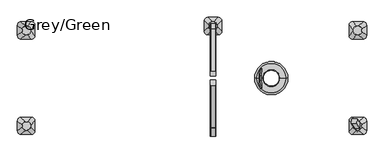
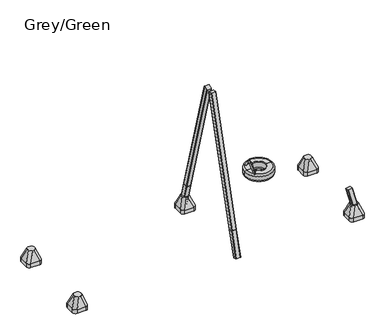
"""IFC4 building model written with IfcOpenShell, lengths in millimetres: furniture geometry, Grey/Green."""

from ifc_helpers import new_model, si_unit, point, frame, frame_2d, origin, place, context, project, spatial, polyline, circle_curve, ellipse_curve, trimmed, segment, composite_curve, outline, extrude, source, transform, mapped, element, save
from ifc_brep_helpers import plane_surface, cylinder_surface, revolved_surface, extruded_surface, advanced_brep


def grey_green_d1a0b71c(model_context):
    return source(origin(), model_context, "Body", "SolidModel", [
        advanced_brep(
        [(2189.0435586, 142.8352389, 487.8799535), (2187.1552997, 171.5861173, 509.4628511), (2175.1224244, 22.4722343, 646.9992456), (2173.2341655, 51.2231127, 668.5821433), (2189.4729122, -161.4568254, 482.9724192), (2187.414457, -188.6263703, 506.5006701), (2172.9434567, -44.2933839, 671.9049602), (2175.0019119, -17.123839, 648.3767093)],
        [
            (0, 1, circle_curve(frame((2188.0994292, 157.2106781, 498.6714023), z_axis=(0.06960567106282514, 0.6018150231520504, -0.7955964608169089), x_axis=(-0.052451635339515044, 0.7986355100472914, 0.5995249352960337)), 18.0)),
            (1, 0, circle_curve(frame((2188.0994292, 157.2106781, 498.6714023), z_axis=(0.06960567106282514, 0.6018150231520504, -0.7955964608169089), x_axis=(-0.052451635339515044, 0.7986355100472914, 0.5995249352960337)), 18.0)),
            (0, 2),
            (2, 3, circle_curve(frame((2174.178295, 36.8476735, 657.7906945), z_axis=(0.06960567106282514, 0.6018150231520504, -0.7955964608169089), x_axis=(-0.052451635339515044, 0.7986355100472914, 0.5995249352960337)), 18.0)),
            (3, 1),
            (3, 2, circle_curve(frame((2174.178295, 36.8476735, 657.7906945), z_axis=(0.06960567106282514, 0.6018150231520504, -0.7955964608169089), x_axis=(-0.052451635339515044, 0.7986355100472914, 0.5995249352960337)), 18.0)),
            (4, 5, circle_curve(frame((2188.4436846, -175.0415979, 494.7365446), z_axis=(0.06577727402308613, -0.6560590289905281, -0.7518376824169546), x_axis=(-0.05717931195797577, -0.754709580222754, 0.653562526315583)), 18.0)),
            (5, 4, circle_curve(frame((2188.4436846, -175.0415979, 494.7365446), z_axis=(0.06577727402308613, -0.6560590289905281, -0.7518376824169546), x_axis=(-0.05717931195797577, -0.754709580222754, 0.653562526315583)), 18.0)),
            (6, 7, circle_curve(frame((2173.9726843, -30.7086115, 660.1408348), z_axis=(0.06577727402308613, -0.6560590289905281, -0.7518376824169546), x_axis=(-0.05717931195797577, -0.754709580222754, 0.653562526315583)), 18.0)),
            (7, 4),
            (5, 6),
            (7, 6, circle_curve(frame((2173.9726843, -30.7086115, 660.1408348), z_axis=(0.06577727402308613, -0.6560590289905281, -0.7518376824169546), x_axis=(-0.05717931195797577, -0.754709580222754, 0.653562526315583)), 18.0)),
            (6, 3, circle_curve(frame((2176.4594607, 2.1143432, 631.7168506), z_axis=(-0.9961946980917457, 0.0, -0.08715574274765649), x_axis=(-0.05245163533951502, 0.7986355100472914, 0.5995249352960336)), 61.4908414)),
            (2, 7, circle_curve(frame((2176.4594607, 2.1143432, 631.7168506), z_axis=(0.9961946980917457, 0.0, 0.08715574274765649), x_axis=(-0.05245163533951502, 0.7986355100472914, 0.5995249352960336)), 25.4908414)),
        ],
        [
            plane_surface(frame((2188.0994292, 157.2106781, 498.6714023), z_axis=(0.06960567106282513, 0.6018150231520503, -0.7955964608169087), x_axis=(-0.9961946980917457, 0.0, -0.08715574274765646))),
            cylinder_surface(frame((2188.0994292, 157.2106781, 498.6714023), z_axis=(0.06960567106282513, 0.6018150231520503, -0.7955964608169087), x_axis=(-0.052451635339515044, 0.7986355100472914, 0.5995249352960337)), 18.0),
            plane_surface(frame((2188.4436846, -175.0415979, 494.7365446), z_axis=(0.06577727402308613, -0.6560590289905281, -0.7518376824169546), x_axis=(-0.9961946980917457, 0.0, -0.08715574274765645))),
            cylinder_surface(frame((2173.9726843, -30.7086115, 660.1408348), z_axis=(-0.06577727402308613, 0.6560590289905281, 0.7518376824169546), x_axis=(-0.05717931195797577, -0.754709580222754, 0.653562526315583)), 18.0),
            revolved_surface(trimmed(ellipse_curve(frame((2174.178295, 36.8476735, 657.7906945), z_axis=(0.0696056710628252, 0.6018150231520499, -0.7955964608169088), x_axis=(-0.05245163533951503, 0.7986355100472915, 0.5995249352960333)), 18.0, 18.0), [point((2175.1224244, 22.4722343, 646.9992456))], [point((2173.2341655, 51.2231127, 668.5821433))], True, "CARTESIAN"), (2176.4594607, 2.1143432, 631.7168506), (0.9961946980917457, 0.0, 0.08715574274765649)),
            revolved_surface(trimmed(ellipse_curve(frame((2174.178295, 36.8476735, 657.7906945), z_axis=(0.0696056710628252, 0.6018150231520499, -0.7955964608169088), x_axis=(-0.05245163533951503, 0.7986355100472915, 0.5995249352960333)), 18.0, 18.0), [point((2173.2341655, 51.2231127, 668.5821433))], [point((2175.1224244, 22.4722343, 646.9992456))], True, "CARTESIAN"), (2176.4594607, 2.1143432, 631.7168506), (0.9961946980917457, 0.0, 0.08715574274765649)),
        ],
        [
            (0, [[1, 2]]),
            (1, [[-1, 3, 4, 5]]),
            (1, [[-2, -5, 6, -3]]),
            (2, [[7, 8]]),
            (3, [[9, 10, -8, 11]]),
            (3, [[12, -11, -7, -10]]),
            (4, [[13, -4, 14, -9]]),
            (5, [[-14, -6, -13, -12]]),
        ],
    ),
        advanced_brep(
        [(2079.3165246, 0.0, 390.0), (2650.6834754, 0.0, 390.0), (2620.6834754, 0.0, 360.0), (2109.3165246, 0.0, 360.0), (2109.3165246, 0.0, 510.0), (2620.6834754, 0.0, 510.0), (2650.6834754, 0.0, 480.0), (2079.3165246, 0.0, 480.0), (2220.0, 0.0, 510.0), (2510.0, 0.0, 510.0), (2220.0, 0.0, 500.0), (2510.0, 0.0, 500.0), (2220.0, 0.0, 360.0), (2510.0, 0.0, 360.0), (2510.0, 0.0, 375.0), (2220.0, 0.0, 375.0)],
        [
            (0, 1, circle_curve(frame((2365.0, 0.0, 390.0), z_axis=(0.0, 0.0, -1.0), x_axis=(1.0, 0.0, 0.0)), 285.6834754)),
            (1, 2, circle_curve(frame((2620.6834754, 0.0, 390.0), z_axis=(0.0, 1.0, 0.0), x_axis=(1.0, 0.0, 0.0)), 30.0)),
            (2, 3, circle_curve(frame((2365.0, 0.0, 360.0), z_axis=(0.0, 0.0, 1.0), x_axis=(1.0, 0.0, 0.0)), 255.6834754)),
            (3, 0, circle_curve(frame((2109.3165246, 0.0, 390.0), z_axis=(0.0, 1.0, 0.0), x_axis=(-1.0, 0.0, 0.0)), 30.0)),
            (1, 0, circle_curve(frame((2365.0, 0.0, 390.0), z_axis=(0.0, 0.0, -1.0), x_axis=(1.0, 0.0, 0.0)), 285.6834754)),
            (3, 2, circle_curve(frame((2365.0, 0.0, 360.0), z_axis=(0.0, 0.0, 1.0), x_axis=(1.0, 0.0, 0.0)), 255.6834754)),
            (4, 5, circle_curve(frame((2365.0, 0.0, 510.0), z_axis=(0.0, 0.0, -1.0), x_axis=(1.0, 0.0, 0.0)), 255.6834754)),
            (5, 6, circle_curve(frame((2620.6834754, 0.0, 480.0), z_axis=(0.0, 1.0, 0.0), x_axis=(1.0, 0.0, 0.0)), 30.0)),
            (6, 7, circle_curve(frame((2365.0, 0.0, 480.0), z_axis=(0.0, 0.0, 1.0), x_axis=(1.0, 0.0, 0.0)), 285.6834754)),
            (7, 4, circle_curve(frame((2109.3165246, 0.0, 480.0), z_axis=(0.0, 1.0, 0.0), x_axis=(-1.0, 0.0, 0.0)), 30.0)),
            (5, 4, circle_curve(frame((2365.0, 0.0, 510.0), z_axis=(0.0, 0.0, -1.0), x_axis=(1.0, 0.0, 0.0)), 255.6834754)),
            (7, 6, circle_curve(frame((2365.0, 0.0, 480.0), z_axis=(0.0, 0.0, 1.0), x_axis=(1.0, 0.0, 0.0)), 285.6834754)),
            (8, 9, circle_curve(frame((2365.0, 0.0, 510.0), z_axis=(0.0, 0.0, -1.0), x_axis=(1.0, 0.0, 0.0)), 145.0)),
            (9, 5),
            (4, 8),
            (9, 8, circle_curve(frame((2365.0, 0.0, 510.0), z_axis=(0.0, 0.0, -1.0), x_axis=(1.0, 0.0, 0.0)), 145.0)),
            (10, 11, circle_curve(frame((2365.0, 0.0, 500.0), z_axis=(0.0, 0.0, -1.0), x_axis=(1.0, 0.0, 0.0)), 145.0)),
            (11, 9, circle_curve(frame((2510.0, 0.0, 505.0), z_axis=(0.0, 1.0, 0.0), x_axis=(1.0, 0.0, 0.0)), 5.0)),
            (8, 10, circle_curve(frame((2220.0, 0.0, 505.0), z_axis=(0.0, 1.0, 0.0), x_axis=(-1.0, 0.0, 0.0)), 5.0)),
            (11, 10, circle_curve(frame((2365.0, 0.0, 500.0), z_axis=(0.0, 0.0, -1.0), x_axis=(1.0, 0.0, 0.0)), 145.0)),
            (12, 13, circle_curve(frame((2365.0, 0.0, 360.0), z_axis=(0.0, 0.0, -1.0), x_axis=(1.0, 0.0, 0.0)), 145.0)),
            (13, 14, circle_curve(frame((2513.8250415, 0.0, 367.5), z_axis=(0.0, 1.0, 0.0), x_axis=(1.0, 0.0, 0.0)), 8.4190821)),
            (14, 15, circle_curve(frame((2365.0, 0.0, 375.0), z_axis=(0.0, 0.0, 1.0), x_axis=(1.0, 0.0, 0.0)), 145.0)),
            (15, 12, circle_curve(frame((2216.1749585, 0.0, 367.5), z_axis=(0.0, 1.0, 0.0), x_axis=(-1.0, 0.0, 0.0)), 8.4190821)),
            (13, 12, circle_curve(frame((2365.0, 0.0, 360.0), z_axis=(0.0, 0.0, -1.0), x_axis=(1.0, 0.0, 0.0)), 145.0)),
            (15, 14, circle_curve(frame((2365.0, 0.0, 375.0), z_axis=(0.0, 0.0, 1.0), x_axis=(1.0, 0.0, 0.0)), 145.0)),
            (2, 13),
            (12, 3),
            (6, 1),
            (0, 7),
            (14, 11, circle_curve(frame((2510.0, 0.0, 437.5), z_axis=(0.0, -1.0, 0.0), x_axis=(-1.0, 0.0, 0.0)), 62.5)),
            (10, 15, circle_curve(frame((2220.0, 0.0, 437.5), z_axis=(0.0, -1.0, 0.0), x_axis=(1.0, 0.0, 0.0)), 62.5)),
        ],
        [
            revolved_surface(trimmed(ellipse_curve(frame((2620.6834754, 0.0, 390.0), z_axis=(0.0, -1.0, 0.0), x_axis=(1.0, 0.0, 0.0)), 30.0, 30.0), [point((2620.6834754, 0.0, 360.0))], [point((2650.6834754, 0.0, 390.0))], True, "CARTESIAN"), (2365.0, 0.0, 2969.0581012), (0.0, 0.0, 1.0)),
            revolved_surface(trimmed(ellipse_curve(frame((2620.6834754, 0.0, 480.0), z_axis=(0.0, -1.0, 0.0), x_axis=(1.0, 0.0, 0.0)), 30.0, 30.0), [point((2650.6834754, 0.0, 480.0))], [point((2620.6834754, 0.0, 510.0))], True, "CARTESIAN"), (2365.0, 0.0, 2969.0581012), (0.0, 0.0, 1.0)),
            plane_surface(frame((2365.0, 0.0, 510.0), z_axis=(0.0, 0.0, 1.0), x_axis=(1.0, 0.0, 0.0))),
            revolved_surface(trimmed(ellipse_curve(frame((2510.0, 0.0, 505.0), z_axis=(0.0, -1.0, 0.0), x_axis=(1.0, 0.0, 0.0)), 5.0, 5.0), [point((2510.0, 0.0, 510.0))], [point((2510.0, 0.0, 500.0))], True, "CARTESIAN"), (2365.0, 0.0, 2969.0581012), (0.0, 0.0, 1.0)),
            revolved_surface(trimmed(ellipse_curve(frame((2513.8250415, 0.0, 367.5), z_axis=(0.0, -1.0, 0.0), x_axis=(1.0, 0.0, 0.0)), 8.4190821, 8.4190821), [point((2510.0, 0.0, 375.0))], [point((2510.0, 0.0, 360.0))], True, "CARTESIAN"), (2365.0, 0.0, 2969.0581012), (0.0, 0.0, 1.0)),
            plane_surface(frame((2365.0, 0.0, 360.0), z_axis=(0.0, 0.0, -1.0), x_axis=(1.0, 0.0, 0.0))),
            cylinder_surface(frame((2365.0, 0.0, 2969.0581012), z_axis=(0.0, 0.0, 1.0), x_axis=(1.0, 0.0, 0.0)), 285.6834754),
            revolved_surface(trimmed(ellipse_curve(frame((2510.0, 0.0, 437.5), z_axis=(0.0, 1.0, 0.0), x_axis=(-1.0, 0.0, 0.0)), 62.5, 62.5), [point((2510.0, 0.0, 500.0))], [point((2510.0, 0.0, 375.0))], True, "CARTESIAN"), (2365.0, 0.0, 2969.0581012), (0.0, 0.0, 1.0)),
        ],
        [
            (0, [[1, 2, 3, 4]]),
            (0, [[5, -4, 6, -2]]),
            (1, [[7, 8, 9, 10]]),
            (1, [[11, -10, 12, -8]]),
            (2, [[13, 14, -7, 15]]),
            (2, [[16, -15, -11, -14]]),
            (3, [[17, 18, -13, 19]]),
            (3, [[20, -19, -16, -18]]),
            (4, [[21, 22, 23, 24]]),
            (4, [[25, -24, 26, -22]]),
            (5, [[-3, 27, -21, 28]]),
            (5, [[-6, -28, -25, -27]]),
            (6, [[-9, 29, -1, 30]]),
            (6, [[-12, -30, -5, -29]]),
            (7, [[-23, 31, -17, 32]]),
            (7, [[-26, -32, -20, -31]]),
        ],
    ),
        advanced_brep(
        [(1275.0, 746.7414474, -604.0), (1215.0, 806.7414474, -604.0), (1215.0, 986.7414474, -604.0), (1275.0, 1046.7414474, -604.0), (1455.0, 1046.7414474, -604.0), (1515.0, 986.7414474, -604.0), (1515.0, 806.7414474, -604.0), (1455.0, 746.7414474, -604.0), (1455.0, 746.7414474, -526.0689494), (1275.0, 746.7414474, -526.0689494), (1515.0, 986.7414474, -526.0689494), (1515.0, 806.7414474, -526.0689494), (1275.0, 1046.7414474, -526.0689494), (1455.0, 1046.7414474, -526.0689494), (1215.0, 806.7414474, -526.0689494), (1215.0, 986.7414474, -526.0689494), (1373.9540451, 825.2925072, -316.0689494), (1433.9540451, 885.2925072, -316.0689494), (1433.9540451, 910.2925072, -316.0689494), (1373.9540451, 970.2925072, -316.0689494), (1348.9540451, 970.2925072, -316.0689494), (1288.9540451, 910.2925072, -316.0689494), (1288.9540451, 885.2925072, -316.0689494), (1348.9540451, 825.2925072, -316.0689494)],
        [
            (0, 1, circle_curve(frame((1275.0, 806.7414474, -604.0), z_axis=(0.0, 0.0, -1.0), x_axis=(-1.0, 0.0, 0.0)), 60.0)),
            (1, 2),
            (2, 3, circle_curve(frame((1275.0, 986.7414474, -604.0), z_axis=(0.0, 0.0, -1.0), x_axis=(-1.0, 0.0, 0.0)), 60.0)),
            (3, 4),
            (4, 5, circle_curve(frame((1455.0, 986.7414474, -604.0), z_axis=(0.0, 0.0, -1.0), x_axis=(-1.0, 0.0, 0.0)), 60.0)),
            (5, 6),
            (6, 7, circle_curve(frame((1455.0, 806.7414474, -604.0), z_axis=(0.0, 0.0, -1.0), x_axis=(-1.0, 0.0, 0.0)), 60.0)),
            (7, 0),
            (7, 8),
            (8, 9),
            (9, 0),
            (5, 10),
            (10, 11),
            (11, 6),
            (3, 12),
            (12, 13),
            (13, 4),
            (1, 14),
            (14, 15),
            (15, 2),
            (16, 17, circle_curve(frame((1373.9540451, 885.2925072, -316.0689494), z_axis=(0.0, 0.0, 1.0), x_axis=(-1.0, 0.0, 0.0)), 60.0)),
            (17, 18),
            (18, 19, circle_curve(frame((1373.9540451, 910.2925072, -316.0689494), z_axis=(0.0, 0.0, 1.0), x_axis=(-1.0, 0.0, 0.0)), 60.0)),
            (19, 20),
            (20, 21, circle_curve(frame((1348.9540451, 910.2925072, -316.0689494), z_axis=(0.0, 0.0, 1.0), x_axis=(-1.0, 0.0, 0.0)), 60.0)),
            (21, 22),
            (22, 23, circle_curve(frame((1348.9540451, 885.2925072, -316.0689494), z_axis=(0.0, 0.0, 1.0), x_axis=(-1.0, 0.0, 0.0)), 60.0)),
            (23, 16),
            (17, 11),
            (10, 18),
            (19, 13),
            (12, 20),
            (21, 15),
            (14, 22),
            (23, 9),
            (8, 16),
            (11, 8, circle_curve(frame((1455.0, 806.7414474, -526.0689494), z_axis=(0.0, 0.0, -1.0), x_axis=(-1.0, 0.0, 0.0)), 60.0)),
            (13, 10, circle_curve(frame((1455.0, 986.7414474, -526.0689494), z_axis=(0.0, 0.0, -1.0), x_axis=(-1.0, 0.0, 0.0)), 60.0)),
            (15, 12, circle_curve(frame((1275.0, 986.7414474, -526.0689494), z_axis=(0.0, 0.0, -1.0), x_axis=(-1.0, 0.0, 0.0)), 60.0)),
            (9, 14, circle_curve(frame((1275.0, 806.7414474, -526.0689494), z_axis=(0.0, 0.0, -1.0), x_axis=(-1.0, 0.0, 0.0)), 60.0)),
        ],
        [
            plane_surface(frame((1541.6329682, 746.7414474, -604.0), z_axis=(0.0, 0.0, -1.0), x_axis=(-1.0, 0.0, 0.0))),
            plane_surface(frame((1275.0, 746.7414474, -526.0689494), z_axis=(0.0, -1.0, 0.0), x_axis=(0.0, 0.0, -1.0))),
            plane_surface(frame((1515.0, 806.7414474, -526.0689494), z_axis=(1.0, 0.0, 0.0), x_axis=(0.0, 0.0, -1.0))),
            plane_surface(frame((1455.0, 1046.7414474, -526.0689494), z_axis=(0.0, 1.0, 0.0), x_axis=(0.0, 0.0, -1.0))),
            plane_surface(frame((1215.0, 986.7414474, -526.0689494), z_axis=(-1.0, 0.0, 0.0), x_axis=(0.0, 0.0, -1.0))),
            plane_surface(frame((1361.4540451, 897.7925072, -316.0689494), z_axis=(0.0, 0.0, 1.0), x_axis=(1.0, 0.0, 0.0))),
            plane_surface(frame((1515.0, 896.7414474, -526.0689494), z_axis=(0.9329330935587706, 0.0, 0.36004977842357055), x_axis=(0.0, 1.0, 0.0))),
            plane_surface(frame((1365.0, 1046.7414474, -526.0689494), z_axis=(0.0, 0.9396707723277333, 0.34208016550656856), x_axis=(-1.0, 0.0, 0.0))),
            plane_surface(frame((1215.0, 896.7414474, -526.0689494), z_axis=(-0.9432207285248213, 0.0, 0.33216661072586046), x_axis=(0.0, -1.0, 0.0))),
            plane_surface(frame((1365.0, 746.7414474, -526.0689494), z_axis=(0.0, -0.9366205672401335, 0.35034541958297477), x_axis=(1.0, 0.0, 0.0))),
            cylinder_surface(frame((1455.0, 806.7414474, -604.0), z_axis=(0.0, 0.0, 1.0), x_axis=(-1.0, 0.0, 0.0)), 60.0),
            cylinder_surface(frame((1455.0, 986.7414474, -604.0), z_axis=(0.0, 0.0, 1.0), x_axis=(-1.0, 0.0, 0.0)), 60.0),
            cylinder_surface(frame((1275.0, 986.7414474, -604.0), z_axis=(0.0, 0.0, 1.0), x_axis=(-1.0, 0.0, 0.0)), 60.0),
            cylinder_surface(frame((1275.0, 806.7414474, -604.0), z_axis=(0.0, 0.0, 1.0), x_axis=(-1.0, 0.0, 0.0)), 60.0),
            extruded_surface(trimmed(circle_curve(frame((1455.0, 806.7414474, -526.0689494), z_axis=(0.0, 0.0, 1.0), x_axis=(-1.0, 0.0, 0.0)), 60.0), [point((1455.0, 746.7414474, -526.0689494))], [point((1515.0, 806.7414474, -526.0689494))], True, "CARTESIAN"), (-81.04595489999997, 78.55105980000008, 209.99999999999994), 238.4087158670085),
            extruded_surface(trimmed(circle_curve(frame((1275.0, 806.7414474, -526.0689494), z_axis=(0.0, 0.0, 1.0), x_axis=(-1.0, 0.0, 0.0)), 60.0), [point((1215.0, 806.7414474, -526.0689494))], [point((1275.0, 746.7414474, -526.0689494))], True, "CARTESIAN"), (73.95404510000003, 78.55105980000008, 209.99999999999994), 236.09207903349068),
            extruded_surface(trimmed(circle_curve(frame((1455.0, 986.7414474, -526.0689494), z_axis=(0.0, 0.0, 1.0), x_axis=(-1.0, 0.0, 0.0)), 60.0), [point((1515.0, 986.7414474, -526.0689494))], [point((1455.0, 1046.7414474, -526.0689494))], True, "CARTESIAN"), (-81.04595489999997, -76.44894019999992, 209.99999999999994), 237.72439349666237),
            extruded_surface(trimmed(circle_curve(frame((1275.0, 986.7414474, -526.0689494), z_axis=(0.0, 0.0, 1.0), x_axis=(-1.0, 0.0, 0.0)), 60.0), [point((1275.0, 1046.7414474, -526.0689494))], [point((1215.0, 986.7414474, -526.0689494))], True, "CARTESIAN"), (73.95404510000003, -76.44894019999992, 209.99999999999994), 235.40102218205422),
        ],
        [
            (0, [[1, 2, 3, 4, 5, 6, 7, 8]]),
            (1, [[-8, 9, 10, 11]]),
            (2, [[-6, 12, 13, 14]]),
            (3, [[-4, 15, 16, 17]]),
            (4, [[-2, 18, 19, 20]]),
            (5, [[21, 22, 23, 24, 25, 26, 27, 28]]),
            (6, [[-22, 29, -13, 30]]),
            (7, [[-24, 31, -16, 32]]),
            (8, [[-26, 33, -19, 34]]),
            (9, [[-28, 35, -10, 36]]),
            (10, [[-7, -14, 37, -9]]),
            (11, [[-5, -17, 38, -12]]),
            (12, [[-3, -20, 39, -15]]),
            (13, [[-1, -11, 40, -18]]),
            (14, [[-21, -36, -37, -29]]),
            (15, [[-27, -34, -40, -35]]),
            (16, [[-23, -30, -38, -31]]),
            (17, [[-25, -32, -39, -33]]),
        ],
    ),
        advanced_brep(
        [(3763.0, -672.5, -604.0), (3943.0, -672.5, -604.0), (4003.0, -732.5, -604.0), (4003.0, -912.5, -604.0), (3943.0, -972.5, -604.0), (3763.0, -972.5, -604.0), (3703.0, -912.5, -604.0), (3703.0, -732.5, -604.0), (3763.0, -672.5, -526.0689494), (3943.0, -672.5, -526.0689494), (4003.0, -732.5, -526.0689494), (4003.0, -912.5, -526.0689494), (3943.0, -972.5, -526.0689494), (3763.0, -972.5, -526.0689494), (3703.0, -912.5, -526.0689494), (3703.0, -732.5, -526.0689494), (3861.9540451, -751.0510597, -316.0689494), (3836.9540451, -751.0510597, -316.0689494), (3776.9540451, -811.0510597, -316.0689494), (3776.9540451, -836.0510597, -316.0689494), (3836.9540451, -896.0510597, -316.0689494), (3861.9540451, -896.0510597, -316.0689494), (3921.9540451, -836.0510597, -316.0689494), (3921.9540451, -811.0510597, -316.0689494)],
        [
            (0, 1),
            (1, 2, circle_curve(frame((3943.0, -732.5, -604.0), z_axis=(0.0, 0.0, -1.0), x_axis=(-1.0, 0.0, 0.0)), 60.0)),
            (2, 3),
            (3, 4, circle_curve(frame((3943.0, -912.5, -604.0), z_axis=(0.0, 0.0, -1.0), x_axis=(-1.0, 0.0, 0.0)), 60.0)),
            (4, 5),
            (5, 6, circle_curve(frame((3763.0, -912.5, -604.0), z_axis=(0.0, 0.0, -1.0), x_axis=(-1.0, 0.0, 0.0)), 60.0)),
            (6, 7),
            (7, 0, circle_curve(frame((3763.0, -732.5, -604.0), z_axis=(0.0, 0.0, -1.0), x_axis=(-1.0, 0.0, 0.0)), 60.0)),
            (0, 8),
            (8, 9),
            (9, 1),
            (2, 10),
            (10, 11),
            (11, 3),
            (4, 12),
            (12, 13),
            (13, 5),
            (6, 14),
            (14, 15),
            (15, 7),
            (16, 17),
            (17, 18, circle_curve(frame((3836.9540451, -811.0510597, -316.0689494), z_axis=(0.0, 0.0, 1.0), x_axis=(-1.0, 0.0, 0.0)), 60.0)),
            (18, 19),
            (19, 20, circle_curve(frame((3836.9540451, -836.0510597, -316.0689494), z_axis=(0.0, 0.0, 1.0), x_axis=(-1.0, 0.0, 0.0)), 60.0)),
            (20, 21),
            (21, 22, circle_curve(frame((3861.9540451, -836.0510597, -316.0689494), z_axis=(0.0, 0.0, 1.0), x_axis=(-1.0, 0.0, 0.0)), 60.0)),
            (22, 23),
            (23, 16, circle_curve(frame((3861.9540451, -811.0510597, -316.0689494), z_axis=(0.0, 0.0, 1.0), x_axis=(-1.0, 0.0, 0.0)), 60.0)),
            (22, 11),
            (10, 23),
            (20, 13),
            (12, 21),
            (18, 15),
            (14, 19),
            (16, 9),
            (8, 17),
            (9, 10, circle_curve(frame((3943.0, -732.5, -526.0689494), z_axis=(0.0, 0.0, -1.0), x_axis=(-1.0, 0.0, 0.0)), 60.0)),
            (11, 12, circle_curve(frame((3943.0, -912.5, -526.0689494), z_axis=(0.0, 0.0, -1.0), x_axis=(-1.0, 0.0, 0.0)), 60.0)),
            (13, 14, circle_curve(frame((3763.0, -912.5, -526.0689494), z_axis=(0.0, 0.0, -1.0), x_axis=(-1.0, 0.0, 0.0)), 60.0)),
            (15, 8, circle_curve(frame((3763.0, -732.5, -526.0689494), z_axis=(0.0, 0.0, -1.0), x_axis=(-1.0, 0.0, 0.0)), 60.0)),
        ],
        [
            plane_surface(frame((4029.6329682, -672.5, -604.0), z_axis=(0.0, 0.0, -1.0), x_axis=(-1.0, 0.0, 0.0))),
            plane_surface(frame((3763.0, -672.5, -526.0689494), z_axis=(0.0, 1.0, 0.0), x_axis=(0.0, 0.0, -1.0))),
            plane_surface(frame((4003.0, -732.5, -526.0689494), z_axis=(1.0, 0.0, 0.0), x_axis=(0.0, 0.0, -1.0))),
            plane_surface(frame((3943.0, -972.5, -526.0689494), z_axis=(0.0, -1.0, 0.0), x_axis=(0.0, 0.0, -1.0))),
            plane_surface(frame((3703.0, -912.5, -526.0689494), z_axis=(-1.0, 0.0, 0.0), x_axis=(0.0, 0.0, -1.0))),
            plane_surface(frame((3849.4540451, -823.5510597, -316.0689494), z_axis=(0.0, 0.0, 1.0), x_axis=(1.0, 0.0, 0.0))),
            plane_surface(frame((4003.0, -822.5, -526.0689494), z_axis=(0.9329330935587706, 0.0, 0.36004977842357055), x_axis=(0.0, -1.0, 0.0))),
            plane_surface(frame((3853.0, -972.5, -526.0689494), z_axis=(0.0, -0.9396707723277333, 0.34208016550656856), x_axis=(-1.0, 0.0, 0.0))),
            plane_surface(frame((3703.0, -822.5, -526.0689494), z_axis=(-0.9432207285248213, 0.0, 0.33216661072586046), x_axis=(0.0, 1.0, 0.0))),
            plane_surface(frame((3853.0, -672.5, -526.0689494), z_axis=(0.0, 0.9366205672401335, 0.35034541958297477), x_axis=(1.0, 0.0, 0.0))),
            cylinder_surface(frame((3943.0, -732.5, -604.0), z_axis=(0.0, 0.0, 1.0), x_axis=(-1.0, 0.0, 0.0)), 60.0),
            cylinder_surface(frame((3943.0, -912.5, -604.0), z_axis=(0.0, 0.0, 1.0), x_axis=(-1.0, 0.0, 0.0)), 60.0),
            cylinder_surface(frame((3763.0, -912.5, -604.0), z_axis=(0.0, 0.0, 1.0), x_axis=(-1.0, 0.0, 0.0)), 60.0),
            cylinder_surface(frame((3763.0, -732.5, -604.0), z_axis=(0.0, 0.0, 1.0), x_axis=(-1.0, 0.0, 0.0)), 60.0),
            extruded_surface(trimmed(circle_curve(frame((3861.9540451, -811.0510597, -316.0689494), z_axis=(0.0, 0.0, -1.0), x_axis=(-1.0, 0.0, 0.0)), 60.0), [point((3861.9540451, -751.0510597, -316.0689494))], [point((3921.9540451, -811.0510597, -316.0689494))], True, "CARTESIAN"), (81.0459549000002, 78.5510597, -209.99999999999994), 238.4087158340605),
            extruded_surface(trimmed(circle_curve(frame((3836.9540451, -811.0510597, -316.0689494), z_axis=(0.0, 0.0, -1.0), x_axis=(-1.0, 0.0, 0.0)), 60.0), [point((3776.9540451, -811.0510597, -316.0689494))], [point((3836.9540451, -751.0510597, -316.0689494))], True, "CARTESIAN"), (-73.9540450999998, 78.5510597, -209.99999999999994), 236.0920790002192),
            extruded_surface(trimmed(circle_curve(frame((3861.9540451, -836.0510597, -316.0689494), z_axis=(0.0, 0.0, -1.0), x_axis=(-1.0, 0.0, 0.0)), 60.0), [point((3921.9540451, -836.0510597, -316.0689494))], [point((3861.9540451, -896.0510597, -316.0689494))], True, "CARTESIAN"), (81.0459549000002, -76.4489403, -209.99999999999994), 237.7243935288211),
            extruded_surface(trimmed(circle_curve(frame((3836.9540451, -836.0510597, -316.0689494), z_axis=(0.0, 0.0, -1.0), x_axis=(-1.0, 0.0, 0.0)), 60.0), [point((3836.9540451, -896.0510597, -316.0689494))], [point((3776.9540451, -836.0510597, -316.0689494))], True, "CARTESIAN"), (-73.9540450999998, -76.4489403, -209.99999999999994), 235.4010222145302),
        ],
        [
            (0, [[1, 2, 3, 4, 5, 6, 7, 8]]),
            (1, [[9, 10, 11, -1]]),
            (2, [[12, 13, 14, -3]]),
            (3, [[15, 16, 17, -5]]),
            (4, [[18, 19, 20, -7]]),
            (5, [[21, 22, 23, 24, 25, 26, 27, 28]]),
            (6, [[29, -13, 30, -27]]),
            (7, [[31, -16, 32, -25]]),
            (8, [[33, -19, 34, -23]]),
            (9, [[35, -10, 36, -21]]),
            (10, [[-11, 37, -12, -2]]),
            (11, [[-14, 38, -15, -4]]),
            (12, [[-17, 39, -18, -6]]),
            (13, [[-20, 40, -9, -8]]),
            (14, [[-30, -37, -35, -28]]),
            (15, [[-36, -40, -33, -22]]),
            (16, [[-32, -38, -29, -26]]),
            (17, [[-34, -39, -31, -24]]),
        ],
    ),
        advanced_brep(
        [(3763.0, 672.5, -604.0), (3703.0, 732.5, -604.0), (3703.0, 912.5, -604.0), (3763.0, 972.5, -604.0), (3943.0, 972.5, -604.0), (4003.0, 912.5, -604.0), (4003.0, 732.5, -604.0), (3943.0, 672.5, -604.0), (3943.0, 672.5, -526.0689494), (3763.0, 672.5, -526.0689494), (4003.0, 912.5, -526.0689494), (4003.0, 732.5, -526.0689494), (3763.0, 972.5, -526.0689494), (3943.0, 972.5, -526.0689494), (3703.0, 732.5, -526.0689494), (3703.0, 912.5, -526.0689494), (3861.9540451, 751.0510597, -316.0689494), (3921.9540451, 811.0510597, -316.0689494), (3921.9540451, 836.0510597, -316.0689494), (3861.9540451, 896.0510597, -316.0689494), (3836.9540451, 896.0510597, -316.0689494), (3776.9540451, 836.0510597, -316.0689494), (3776.9540451, 811.0510597, -316.0689494), (3836.9540451, 751.0510597, -316.0689494)],
        [
            (0, 1, circle_curve(frame((3763.0, 732.5, -604.0), z_axis=(0.0, 0.0, -1.0), x_axis=(-1.0, 0.0, 0.0)), 60.0)),
            (1, 2),
            (2, 3, circle_curve(frame((3763.0, 912.5, -604.0), z_axis=(0.0, 0.0, -1.0), x_axis=(-1.0, 0.0, 0.0)), 60.0)),
            (3, 4),
            (4, 5, circle_curve(frame((3943.0, 912.5, -604.0), z_axis=(0.0, 0.0, -1.0), x_axis=(-1.0, 0.0, 0.0)), 60.0)),
            (5, 6),
            (6, 7, circle_curve(frame((3943.0, 732.5, -604.0), z_axis=(0.0, 0.0, -1.0), x_axis=(-1.0, 0.0, 0.0)), 60.0)),
            (7, 0),
            (7, 8),
            (8, 9),
            (9, 0),
            (5, 10),
            (10, 11),
            (11, 6),
            (3, 12),
            (12, 13),
            (13, 4),
            (1, 14),
            (14, 15),
            (15, 2),
            (16, 17, circle_curve(frame((3861.9540451, 811.0510597, -316.0689494), z_axis=(0.0, 0.0, 1.0), x_axis=(-1.0, 0.0, 0.0)), 60.0)),
            (17, 18),
            (18, 19, circle_curve(frame((3861.9540451, 836.0510597, -316.0689494), z_axis=(0.0, 0.0, 1.0), x_axis=(-1.0, 0.0, 0.0)), 60.0)),
            (19, 20),
            (20, 21, circle_curve(frame((3836.9540451, 836.0510597, -316.0689494), z_axis=(0.0, 0.0, 1.0), x_axis=(-1.0, 0.0, 0.0)), 60.0)),
            (21, 22),
            (22, 23, circle_curve(frame((3836.9540451, 811.0510597, -316.0689494), z_axis=(0.0, 0.0, 1.0), x_axis=(-1.0, 0.0, 0.0)), 60.0)),
            (23, 16),
            (17, 11),
            (10, 18),
            (19, 13),
            (12, 20),
            (21, 15),
            (14, 22),
            (23, 9),
            (8, 16),
            (11, 8, circle_curve(frame((3943.0, 732.5, -526.0689494), z_axis=(0.0, 0.0, -1.0), x_axis=(-1.0, 0.0, 0.0)), 60.0)),
            (13, 10, circle_curve(frame((3943.0, 912.5, -526.0689494), z_axis=(0.0, 0.0, -1.0), x_axis=(-1.0, 0.0, 0.0)), 60.0)),
            (15, 12, circle_curve(frame((3763.0, 912.5, -526.0689494), z_axis=(0.0, 0.0, -1.0), x_axis=(-1.0, 0.0, 0.0)), 60.0)),
            (9, 14, circle_curve(frame((3763.0, 732.5, -526.0689494), z_axis=(0.0, 0.0, -1.0), x_axis=(-1.0, 0.0, 0.0)), 60.0)),
        ],
        [
            plane_surface(frame((4029.6329682, 672.5, -604.0), z_axis=(0.0, 0.0, -1.0), x_axis=(-1.0, 0.0, 0.0))),
            plane_surface(frame((3763.0, 672.5, -526.0689494), z_axis=(0.0, -1.0, 0.0), x_axis=(0.0, 0.0, -1.0))),
            plane_surface(frame((4003.0, 732.5, -526.0689494), z_axis=(1.0, 0.0, 0.0), x_axis=(0.0, 0.0, -1.0))),
            plane_surface(frame((3943.0, 972.5, -526.0689494), z_axis=(0.0, 1.0, 0.0), x_axis=(0.0, 0.0, -1.0))),
            plane_surface(frame((3703.0, 912.5, -526.0689494), z_axis=(-1.0, 0.0, 0.0), x_axis=(0.0, 0.0, -1.0))),
            plane_surface(frame((3849.4540451, 823.5510597, -316.0689494), z_axis=(0.0, 0.0, 1.0), x_axis=(1.0, 0.0, 0.0))),
            plane_surface(frame((4003.0, 822.5, -526.0689494), z_axis=(0.9329330935587706, 0.0, 0.36004977842357055), x_axis=(0.0, 1.0, 0.0))),
            plane_surface(frame((3853.0, 972.5, -526.0689494), z_axis=(0.0, 0.9396707723277333, 0.34208016550656856), x_axis=(-1.0, 0.0, 0.0))),
            plane_surface(frame((3703.0, 822.5, -526.0689494), z_axis=(-0.9432207285248213, 0.0, 0.33216661072586046), x_axis=(0.0, -1.0, 0.0))),
            plane_surface(frame((3853.0, 672.5, -526.0689494), z_axis=(0.0, -0.9366205672401335, 0.35034541958297477), x_axis=(1.0, 0.0, 0.0))),
            cylinder_surface(frame((3943.0, 732.5, -604.0), z_axis=(0.0, 0.0, 1.0), x_axis=(-1.0, 0.0, 0.0)), 60.0),
            cylinder_surface(frame((3943.0, 912.5, -604.0), z_axis=(0.0, 0.0, 1.0), x_axis=(-1.0, 0.0, 0.0)), 60.0),
            cylinder_surface(frame((3763.0, 912.5, -604.0), z_axis=(0.0, 0.0, 1.0), x_axis=(-1.0, 0.0, 0.0)), 60.0),
            cylinder_surface(frame((3763.0, 732.5, -604.0), z_axis=(0.0, 0.0, 1.0), x_axis=(-1.0, 0.0, 0.0)), 60.0),
            extruded_surface(trimmed(circle_curve(frame((3943.0, 732.5, -526.0689494), z_axis=(0.0, 0.0, 1.0), x_axis=(-1.0, 0.0, 0.0)), 60.0), [point((3943.0, 672.5, -526.0689494))], [point((4003.0, 732.5, -526.0689494))], True, "CARTESIAN"), (-81.0459549000002, 78.5510597, 209.99999999999994), 238.4087158340605),
            extruded_surface(trimmed(circle_curve(frame((3763.0, 732.5, -526.0689494), z_axis=(0.0, 0.0, 1.0), x_axis=(-1.0, 0.0, 0.0)), 60.0), [point((3703.0, 732.5, -526.0689494))], [point((3763.0, 672.5, -526.0689494))], True, "CARTESIAN"), (73.9540450999998, 78.5510597, 209.99999999999994), 236.0920790002192),
            extruded_surface(trimmed(circle_curve(frame((3943.0, 912.5, -526.0689494), z_axis=(0.0, 0.0, 1.0), x_axis=(-1.0, 0.0, 0.0)), 60.0), [point((4003.0, 912.5, -526.0689494))], [point((3943.0, 972.5, -526.0689494))], True, "CARTESIAN"), (-81.0459549000002, -76.4489403, 209.99999999999994), 237.7243935288211),
            extruded_surface(trimmed(circle_curve(frame((3763.0, 912.5, -526.0689494), z_axis=(0.0, 0.0, 1.0), x_axis=(-1.0, 0.0, 0.0)), 60.0), [point((3763.0, 972.5, -526.0689494))], [point((3703.0, 912.5, -526.0689494))], True, "CARTESIAN"), (73.9540450999998, -76.4489403, 209.99999999999994), 235.4010222145302),
        ],
        [
            (0, [[1, 2, 3, 4, 5, 6, 7, 8]]),
            (1, [[-8, 9, 10, 11]]),
            (2, [[-6, 12, 13, 14]]),
            (3, [[-4, 15, 16, 17]]),
            (4, [[-2, 18, 19, 20]]),
            (5, [[21, 22, 23, 24, 25, 26, 27, 28]]),
            (6, [[-22, 29, -13, 30]]),
            (7, [[-24, 31, -16, 32]]),
            (8, [[-26, 33, -19, 34]]),
            (9, [[-28, 35, -10, 36]]),
            (10, [[-7, -14, 37, -9]]),
            (11, [[-5, -17, 38, -12]]),
            (12, [[-3, -20, 39, -15]]),
            (13, [[-1, -11, 40, -18]]),
            (14, [[-21, -36, -37, -29]]),
            (15, [[-27, -34, -40, -35]]),
            (16, [[-23, -30, -38, -31]]),
            (17, [[-25, -32, -39, -33]]),
        ],
    ),
        advanced_brep(
        [(-1757.0, 672.5, -604.0), (-1937.0, 672.5, -604.0), (-1997.0, 732.5, -604.0), (-1997.0, 912.5, -604.0), (-1937.0, 972.5, -604.0), (-1757.0, 972.5, -604.0), (-1697.0, 912.5, -604.0), (-1697.0, 732.5, -604.0), (-1757.0, 672.5, -526.0689494), (-1937.0, 672.5, -526.0689494), (-1997.0, 732.5, -526.0689494), (-1997.0, 912.5, -526.0689494), (-1937.0, 972.5, -526.0689494), (-1757.0, 972.5, -526.0689494), (-1697.0, 912.5, -526.0689494), (-1697.0, 732.5, -526.0689494), (-1855.9540451, 751.0510597, -316.0689494), (-1830.9540451, 751.0510597, -316.0689494), (-1770.9540451, 811.0510597, -316.0689494), (-1770.9540451, 836.0510597, -316.0689494), (-1830.9540451, 896.0510597, -316.0689494), (-1855.9540451, 896.0510597, -316.0689494), (-1915.9540451, 836.0510597, -316.0689494), (-1915.9540451, 811.0510597, -316.0689494)],
        [
            (0, 1),
            (1, 2, circle_curve(frame((-1937.0, 732.5, -604.0), z_axis=(0.0, 0.0, -1.0), x_axis=(1.0, 0.0, 0.0)), 60.0)),
            (2, 3),
            (3, 4, circle_curve(frame((-1937.0, 912.5, -604.0), z_axis=(0.0, 0.0, -1.0), x_axis=(1.0, 0.0, 0.0)), 60.0)),
            (4, 5),
            (5, 6, circle_curve(frame((-1757.0, 912.5, -604.0), z_axis=(0.0, 0.0, -1.0), x_axis=(1.0, 0.0, 0.0)), 60.0)),
            (6, 7),
            (7, 0, circle_curve(frame((-1757.0, 732.5, -604.0), z_axis=(0.0, 0.0, -1.0), x_axis=(1.0, 0.0, 0.0)), 60.0)),
            (0, 8),
            (8, 9),
            (9, 1),
            (2, 10),
            (10, 11),
            (11, 3),
            (4, 12),
            (12, 13),
            (13, 5),
            (6, 14),
            (14, 15),
            (15, 7),
            (16, 17),
            (17, 18, circle_curve(frame((-1830.9540451, 811.0510597, -316.0689494), z_axis=(0.0, 0.0, 1.0), x_axis=(1.0, 0.0, 0.0)), 60.0)),
            (18, 19),
            (19, 20, circle_curve(frame((-1830.9540451, 836.0510597, -316.0689494), z_axis=(0.0, 0.0, 1.0), x_axis=(1.0, 0.0, 0.0)), 60.0)),
            (20, 21),
            (21, 22, circle_curve(frame((-1855.9540451, 836.0510597, -316.0689494), z_axis=(0.0, 0.0, 1.0), x_axis=(1.0, 0.0, 0.0)), 60.0)),
            (22, 23),
            (23, 16, circle_curve(frame((-1855.9540451, 811.0510597, -316.0689494), z_axis=(0.0, 0.0, 1.0), x_axis=(1.0, 0.0, 0.0)), 60.0)),
            (22, 11),
            (10, 23),
            (20, 13),
            (12, 21),
            (18, 15),
            (14, 19),
            (16, 9),
            (8, 17),
            (9, 10, circle_curve(frame((-1937.0, 732.5, -526.0689494), z_axis=(0.0, 0.0, -1.0), x_axis=(1.0, 0.0, 0.0)), 60.0)),
            (11, 12, circle_curve(frame((-1937.0, 912.5, -526.0689494), z_axis=(0.0, 0.0, -1.0), x_axis=(1.0, 0.0, 0.0)), 60.0)),
            (13, 14, circle_curve(frame((-1757.0, 912.5, -526.0689494), z_axis=(0.0, 0.0, -1.0), x_axis=(1.0, 0.0, 0.0)), 60.0)),
            (15, 8, circle_curve(frame((-1757.0, 732.5, -526.0689494), z_axis=(0.0, 0.0, -1.0), x_axis=(1.0, 0.0, 0.0)), 60.0)),
        ],
        [
            plane_surface(frame((-2023.6329682, 672.5, -604.0), z_axis=(0.0, 0.0, -1.0), x_axis=(1.0, 0.0, 0.0))),
            plane_surface(frame((-1757.0, 672.5, -526.0689494), z_axis=(0.0, -1.0, 0.0), x_axis=(0.0, 0.0, -1.0))),
            plane_surface(frame((-1997.0, 732.5, -526.0689494), z_axis=(-1.0, 0.0, 0.0), x_axis=(0.0, 0.0, -1.0))),
            plane_surface(frame((-1937.0, 972.5, -526.0689494), z_axis=(0.0, 1.0, 0.0), x_axis=(0.0, 0.0, -1.0))),
            plane_surface(frame((-1697.0, 912.5, -526.0689494), z_axis=(1.0, 0.0, 0.0), x_axis=(0.0, 0.0, -1.0))),
            plane_surface(frame((-1843.4540451, 823.5510597, -316.0689494), z_axis=(0.0, 0.0, 1.0), x_axis=(-1.0, 0.0, 0.0))),
            plane_surface(frame((-1997.0, 822.5, -526.0689494), z_axis=(-0.9329330935587706, 0.0, 0.36004977842357055), x_axis=(0.0, 1.0, 0.0))),
            plane_surface(frame((-1847.0, 972.5, -526.0689494), z_axis=(0.0, 0.9396707723277333, 0.34208016550656856), x_axis=(1.0, 0.0, 0.0))),
            plane_surface(frame((-1697.0, 822.5, -526.0689494), z_axis=(0.9432207285248213, 0.0, 0.33216661072586046), x_axis=(0.0, -1.0, 0.0))),
            plane_surface(frame((-1847.0, 672.5, -526.0689494), z_axis=(0.0, -0.9366205672401335, 0.35034541958297477), x_axis=(-1.0, 0.0, 0.0))),
            cylinder_surface(frame((-1937.0, 732.5, -604.0), z_axis=(0.0, 0.0, 1.0), x_axis=(1.0, 0.0, 0.0)), 60.0),
            cylinder_surface(frame((-1937.0, 912.5, -604.0), z_axis=(0.0, 0.0, 1.0), x_axis=(1.0, 0.0, 0.0)), 60.0),
            cylinder_surface(frame((-1757.0, 912.5, -604.0), z_axis=(0.0, 0.0, 1.0), x_axis=(1.0, 0.0, 0.0)), 60.0),
            cylinder_surface(frame((-1757.0, 732.5, -604.0), z_axis=(0.0, 0.0, 1.0), x_axis=(1.0, 0.0, 0.0)), 60.0),
            extruded_surface(trimmed(circle_curve(frame((-1855.9540451, 811.0510597, -316.0689494), z_axis=(0.0, 0.0, -1.0), x_axis=(1.0, 0.0, 0.0)), 60.0), [point((-1855.9540451, 751.0510597, -316.0689494))], [point((-1915.9540451, 811.0510597, -316.0689494))], True, "CARTESIAN"), (-81.04595489999997, -78.5510597, -209.99999999999994), 238.40871583406042),
            extruded_surface(trimmed(circle_curve(frame((-1830.9540451, 811.0510597, -316.0689494), z_axis=(0.0, 0.0, -1.0), x_axis=(1.0, 0.0, 0.0)), 60.0), [point((-1770.9540451, 811.0510597, -316.0689494))], [point((-1830.9540451, 751.0510597, -316.0689494))], True, "CARTESIAN"), (73.95404510000003, -78.5510597, -209.99999999999994), 236.0920790002193),
            extruded_surface(trimmed(circle_curve(frame((-1855.9540451, 836.0510597, -316.0689494), z_axis=(0.0, 0.0, -1.0), x_axis=(1.0, 0.0, 0.0)), 60.0), [point((-1915.9540451, 836.0510597, -316.0689494))], [point((-1855.9540451, 896.0510597, -316.0689494))], True, "CARTESIAN"), (-81.04595489999997, 76.4489403, -209.99999999999994), 237.72439352882105),
            extruded_surface(trimmed(circle_curve(frame((-1830.9540451, 836.0510597, -316.0689494), z_axis=(0.0, 0.0, -1.0), x_axis=(1.0, 0.0, 0.0)), 60.0), [point((-1830.9540451, 896.0510597, -316.0689494))], [point((-1770.9540451, 836.0510597, -316.0689494))], True, "CARTESIAN"), (73.95404510000003, 76.4489403, -209.99999999999994), 235.4010222145303),
        ],
        [
            (0, [[1, 2, 3, 4, 5, 6, 7, 8]]),
            (1, [[9, 10, 11, -1]]),
            (2, [[12, 13, 14, -3]]),
            (3, [[15, 16, 17, -5]]),
            (4, [[18, 19, 20, -7]]),
            (5, [[21, 22, 23, 24, 25, 26, 27, 28]]),
            (6, [[29, -13, 30, -27]]),
            (7, [[31, -16, 32, -25]]),
            (8, [[33, -19, 34, -23]]),
            (9, [[35, -10, 36, -21]]),
            (10, [[-11, 37, -12, -2]]),
            (11, [[-14, 38, -15, -4]]),
            (12, [[-17, 39, -18, -6]]),
            (13, [[-20, 40, -9, -8]]),
            (14, [[-30, -37, -35, -28]]),
            (15, [[-36, -40, -33, -22]]),
            (16, [[-32, -38, -29, -26]]),
            (17, [[-34, -39, -31, -24]]),
        ],
    ),
        advanced_brep(
        [(-1757.0, -672.5, -604.0), (-1697.0, -732.5, -604.0), (-1697.0, -912.5, -604.0), (-1757.0, -972.5, -604.0), (-1937.0, -972.5, -604.0), (-1997.0, -912.5, -604.0), (-1997.0, -732.5, -604.0), (-1937.0, -672.5, -604.0), (-1937.0, -672.5, -526.0689494), (-1757.0, -672.5, -526.0689494), (-1997.0, -912.5, -526.0689494), (-1997.0, -732.5, -526.0689494), (-1757.0, -972.5, -526.0689494), (-1937.0, -972.5, -526.0689494), (-1697.0, -732.5, -526.0689494), (-1697.0, -912.5, -526.0689494), (-1855.9540451, -751.0510597, -316.0689494), (-1915.9540451, -811.0510597, -316.0689494), (-1915.9540451, -836.0510597, -316.0689494), (-1855.9540451, -896.0510597, -316.0689494), (-1830.9540451, -896.0510597, -316.0689494), (-1770.9540451, -836.0510597, -316.0689494), (-1770.9540451, -811.0510597, -316.0689494), (-1830.9540451, -751.0510597, -316.0689494)],
        [
            (0, 1, circle_curve(frame((-1757.0, -732.5, -604.0), z_axis=(0.0, 0.0, -1.0), x_axis=(1.0, 0.0, 0.0)), 60.0)),
            (1, 2),
            (2, 3, circle_curve(frame((-1757.0, -912.5, -604.0), z_axis=(0.0, 0.0, -1.0), x_axis=(1.0, 0.0, 0.0)), 60.0)),
            (3, 4),
            (4, 5, circle_curve(frame((-1937.0, -912.5, -604.0), z_axis=(0.0, 0.0, -1.0), x_axis=(1.0, 0.0, 0.0)), 60.0)),
            (5, 6),
            (6, 7, circle_curve(frame((-1937.0, -732.5, -604.0), z_axis=(0.0, 0.0, -1.0), x_axis=(1.0, 0.0, 0.0)), 60.0)),
            (7, 0),
            (7, 8),
            (8, 9),
            (9, 0),
            (5, 10),
            (10, 11),
            (11, 6),
            (3, 12),
            (12, 13),
            (13, 4),
            (1, 14),
            (14, 15),
            (15, 2),
            (16, 17, circle_curve(frame((-1855.9540451, -811.0510597, -316.0689494), z_axis=(0.0, 0.0, 1.0), x_axis=(1.0, 0.0, 0.0)), 60.0)),
            (17, 18),
            (18, 19, circle_curve(frame((-1855.9540451, -836.0510597, -316.0689494), z_axis=(0.0, 0.0, 1.0), x_axis=(1.0, 0.0, 0.0)), 60.0)),
            (19, 20),
            (20, 21, circle_curve(frame((-1830.9540451, -836.0510597, -316.0689494), z_axis=(0.0, 0.0, 1.0), x_axis=(1.0, 0.0, 0.0)), 60.0)),
            (21, 22),
            (22, 23, circle_curve(frame((-1830.9540451, -811.0510597, -316.0689494), z_axis=(0.0, 0.0, 1.0), x_axis=(1.0, 0.0, 0.0)), 60.0)),
            (23, 16),
            (17, 11),
            (10, 18),
            (19, 13),
            (12, 20),
            (21, 15),
            (14, 22),
            (23, 9),
            (8, 16),
            (11, 8, circle_curve(frame((-1937.0, -732.5, -526.0689494), z_axis=(0.0, 0.0, -1.0), x_axis=(1.0, 0.0, 0.0)), 60.0)),
            (13, 10, circle_curve(frame((-1937.0, -912.5, -526.0689494), z_axis=(0.0, 0.0, -1.0), x_axis=(1.0, 0.0, 0.0)), 60.0)),
            (15, 12, circle_curve(frame((-1757.0, -912.5, -526.0689494), z_axis=(0.0, 0.0, -1.0), x_axis=(1.0, 0.0, 0.0)), 60.0)),
            (9, 14, circle_curve(frame((-1757.0, -732.5, -526.0689494), z_axis=(0.0, 0.0, -1.0), x_axis=(1.0, 0.0, 0.0)), 60.0)),
        ],
        [
            plane_surface(frame((-2023.6329682, -672.5, -604.0), z_axis=(0.0, 0.0, -1.0), x_axis=(1.0, 0.0, 0.0))),
            plane_surface(frame((-1757.0, -672.5, -526.0689494), z_axis=(0.0, 1.0, 0.0), x_axis=(0.0, 0.0, -1.0))),
            plane_surface(frame((-1997.0, -732.5, -526.0689494), z_axis=(-1.0, 0.0, 0.0), x_axis=(0.0, 0.0, -1.0))),
            plane_surface(frame((-1937.0, -972.5, -526.0689494), z_axis=(0.0, -1.0, 0.0), x_axis=(0.0, 0.0, -1.0))),
            plane_surface(frame((-1697.0, -912.5, -526.0689494), z_axis=(1.0, 0.0, 0.0), x_axis=(0.0, 0.0, -1.0))),
            plane_surface(frame((-1843.4540451, -823.5510597, -316.0689494), z_axis=(0.0, 0.0, 1.0), x_axis=(-1.0, 0.0, 0.0))),
            plane_surface(frame((-1997.0, -822.5, -526.0689494), z_axis=(-0.9329330935587706, 0.0, 0.36004977842357055), x_axis=(0.0, -1.0, 0.0))),
            plane_surface(frame((-1847.0, -972.5, -526.0689494), z_axis=(0.0, -0.9396707723277333, 0.34208016550656856), x_axis=(1.0, 0.0, 0.0))),
            plane_surface(frame((-1697.0, -822.5, -526.0689494), z_axis=(0.9432207285248213, 0.0, 0.33216661072586046), x_axis=(0.0, 1.0, 0.0))),
            plane_surface(frame((-1847.0, -672.5, -526.0689494), z_axis=(0.0, 0.9366205672401335, 0.35034541958297477), x_axis=(-1.0, 0.0, 0.0))),
            cylinder_surface(frame((-1937.0, -732.5, -604.0), z_axis=(0.0, 0.0, 1.0), x_axis=(1.0, 0.0, 0.0)), 60.0),
            cylinder_surface(frame((-1937.0, -912.5, -604.0), z_axis=(0.0, 0.0, 1.0), x_axis=(1.0, 0.0, 0.0)), 60.0),
            cylinder_surface(frame((-1757.0, -912.5, -604.0), z_axis=(0.0, 0.0, 1.0), x_axis=(1.0, 0.0, 0.0)), 60.0),
            cylinder_surface(frame((-1757.0, -732.5, -604.0), z_axis=(0.0, 0.0, 1.0), x_axis=(1.0, 0.0, 0.0)), 60.0),
            extruded_surface(trimmed(circle_curve(frame((-1937.0, -732.5, -526.0689494), z_axis=(0.0, 0.0, 1.0), x_axis=(1.0, 0.0, 0.0)), 60.0), [point((-1937.0, -672.5, -526.0689494))], [point((-1997.0, -732.5, -526.0689494))], True, "CARTESIAN"), (81.04595489999997, -78.5510597, 209.99999999999994), 238.40871583406042),
            extruded_surface(trimmed(circle_curve(frame((-1757.0, -732.5, -526.0689494), z_axis=(0.0, 0.0, 1.0), x_axis=(1.0, 0.0, 0.0)), 60.0), [point((-1697.0, -732.5, -526.0689494))], [point((-1757.0, -672.5, -526.0689494))], True, "CARTESIAN"), (-73.95404510000003, -78.5510597, 209.99999999999994), 236.0920790002193),
            extruded_surface(trimmed(circle_curve(frame((-1937.0, -912.5, -526.0689494), z_axis=(0.0, 0.0, 1.0), x_axis=(1.0, 0.0, 0.0)), 60.0), [point((-1997.0, -912.5, -526.0689494))], [point((-1937.0, -972.5, -526.0689494))], True, "CARTESIAN"), (81.04595489999997, 76.4489403, 209.99999999999994), 237.72439352882105),
            extruded_surface(trimmed(circle_curve(frame((-1757.0, -912.5, -526.0689494), z_axis=(0.0, 0.0, 1.0), x_axis=(1.0, 0.0, 0.0)), 60.0), [point((-1757.0, -972.5, -526.0689494))], [point((-1697.0, -912.5, -526.0689494))], True, "CARTESIAN"), (-73.95404510000003, 76.4489403, 209.99999999999994), 235.4010222145303),
        ],
        [
            (0, [[1, 2, 3, 4, 5, 6, 7, 8]]),
            (1, [[-8, 9, 10, 11]]),
            (2, [[-6, 12, 13, 14]]),
            (3, [[-4, 15, 16, 17]]),
            (4, [[-2, 18, 19, 20]]),
            (5, [[21, 22, 23, 24, 25, 26, 27, 28]]),
            (6, [[-22, 29, -13, 30]]),
            (7, [[-24, 31, -16, 32]]),
            (8, [[-26, 33, -19, 34]]),
            (9, [[-28, 35, -10, 36]]),
            (10, [[-7, -14, 37, -9]]),
            (11, [[-5, -17, 38, -12]]),
            (12, [[-3, -20, 39, -15]]),
            (13, [[-1, -11, 40, -18]]),
            (14, [[-21, -36, -37, -29]]),
            (15, [[-27, -34, -40, -35]]),
            (16, [[-23, -30, -38, -31]]),
            (17, [[-25, -32, -39, -33]]),
        ],
    ),
        extrude(outline(composite_curve([segment(polyline([(42.5, -47.5038197), (-42.5, -47.5038197)]), True, "CONTINUOUS"), segment(trimmed(circle_curve(frame_2d((-42.5, -42.5038197)), 5.0), [point((-42.5, -47.5038197))], [point((-47.5, -42.5038197))], False, "CARTESIAN"), True, "CONTINUOUS"), segment(polyline([(-47.5, -42.5038197), (-47.5, 42.4961804)]), True, "CONTINUOUS"), segment(trimmed(circle_curve(frame_2d((-42.5, 42.4961804)), 5.0), [point((-47.5, 42.4961804))], [point((-42.5, 47.4961804))], False, "CARTESIAN"), True, "CONTINUOUS"), segment(polyline([(-42.5, 47.4961804), (42.5, 47.4961804)]), True, "CONTINUOUS"), segment(trimmed(circle_curve(frame_2d((42.5, 42.4961804)), 5.0), [point((42.5, 47.4961804))], [point((47.5, 42.4961804))], False, "CARTESIAN"), True, "CONTINUOUS"), segment(polyline([(47.5, 42.4961804), (47.5, -42.5038197)]), True, "CONTINUOUS"), segment(trimmed(circle_curve(frame_2d((42.5, -42.5038197)), 5.0), [point((47.5, -42.5038197))], [point((42.5, -47.5038197))], False, "CARTESIAN"), True, "CONTINUOUS")], self_intersect=False)), frame((1365.0, -960.7144428, -551.1782452), z_axis=(0.0, 0.27563735581700016, 0.9612616959383187), x_axis=(1.0, 0.0, 0.0)), (0.0, 0.0, 1.0), 542.6764169),
        extrude(outline(composite_curve([segment(trimmed(circle_curve(frame_2d((42.5, -5.0)), 5.0), [point((42.5, 0.0))], [point((47.5, -5.0))], False, "CARTESIAN"), True, "CONTINUOUS"), segment(polyline([(47.5, -5.0), (47.5, -90.0000001)]), True, "CONTINUOUS"), segment(trimmed(circle_curve(frame_2d((42.5, -90.0000001)), 5.0), [point((47.5, -90.0000001))], [point((42.5, -95.0))], False, "CARTESIAN"), True, "CONTINUOUS"), segment(polyline([(42.5, -95.0), (-42.5, -95.0)]), True, "CONTINUOUS"), segment(trimmed(circle_curve(frame_2d((-42.5, -90.0000001)), 5.0), [point((-42.5, -95.0))], [point((-47.5, -90.0000001))], False, "CARTESIAN"), True, "CONTINUOUS"), segment(polyline([(-47.5, -90.0000001), (-47.5, -5.0)]), True, "CONTINUOUS"), segment(trimmed(circle_curve(frame_2d((-42.5, -5.0)), 5.0), [point((-47.5, -5.0))], [point((-42.5, 0.0))], False, "CARTESIAN"), True, "CONTINUOUS"), segment(polyline([(-42.5, 0.0), (42.5, 0.0)]), True, "CONTINUOUS")], self_intersect=False)), frame((1365.0, -765.4186511, -42.632442), z_axis=(0.0, 0.2756373558170003, 0.9612616959383186), x_axis=(1.0, 0.0, 0.0)), (0.0, 0.0, 1.0), 2659.2430045),
        extrude(outline(composite_curve([segment(trimmed(circle_curve(frame_2d((42.5, 42.5038197)), 5.0), [point((42.5, 47.5038197))], [point((47.5, 42.5038197))], False, "CARTESIAN"), True, "CONTINUOUS"), segment(polyline([(47.5, 42.5038197), (47.5, -42.4961804)]), True, "CONTINUOUS"), segment(trimmed(circle_curve(frame_2d((42.5, -42.4961804)), 5.0), [point((47.5, -42.4961804))], [point((42.5, -47.4961804))], False, "CARTESIAN"), True, "CONTINUOUS"), segment(polyline([(42.5, -47.4961804), (-42.5, -47.4961804)]), True, "CONTINUOUS"), segment(trimmed(circle_curve(frame_2d((-42.5, -42.4961804)), 5.0), [point((-42.5, -47.4961804))], [point((-47.5, -42.4961804))], False, "CARTESIAN"), True, "CONTINUOUS"), segment(polyline([(-47.5, -42.4961804), (-47.5, 42.5038197)]), True, "CONTINUOUS"), segment(trimmed(circle_curve(frame_2d((-42.5, 42.5038197)), 5.0), [point((-47.5, 42.5038197))], [point((-42.5, 47.5038197))], False, "CARTESIAN"), True, "CONTINUOUS"), segment(polyline([(-42.5, 47.5038197), (42.5, 47.5038197)]), True, "CONTINUOUS")], self_intersect=False)), frame((1365.0, 960.7144428, -551.1782452), z_axis=(0.0, -0.27563735581700016, 0.9612616959383187), x_axis=(1.0, 0.0, 0.0)), (0.0, 0.0, 1.0), 542.6764169),
        extrude(outline(composite_curve([segment(polyline([(42.5, 0.0), (-42.5, 0.0)]), True, "CONTINUOUS"), segment(trimmed(circle_curve(frame_2d((-42.5, 5.0)), 5.0), [point((-42.5, 0.0))], [point((-47.5, 5.0))], False, "CARTESIAN"), True, "CONTINUOUS"), segment(polyline([(-47.5, 5.0), (-47.5, 90.0000001)]), True, "CONTINUOUS"), segment(trimmed(circle_curve(frame_2d((-42.5, 90.0000001)), 5.0), [point((-47.5, 90.0000001))], [point((-42.5, 95.0))], False, "CARTESIAN"), True, "CONTINUOUS"), segment(polyline([(-42.5, 95.0), (42.5, 95.0)]), True, "CONTINUOUS"), segment(trimmed(circle_curve(frame_2d((42.5, 90.0000001)), 5.0), [point((42.5, 95.0))], [point((47.5, 90.0000001))], False, "CARTESIAN"), True, "CONTINUOUS"), segment(polyline([(47.5, 90.0000001), (47.5, 5.0)]), True, "CONTINUOUS"), segment(trimmed(circle_curve(frame_2d((42.5, 5.0)), 5.0), [point((47.5, 5.0))], [point((42.5, 0.0))], False, "CARTESIAN"), True, "CONTINUOUS")], self_intersect=False)), frame((1365.0, 765.4186511, -42.632442), z_axis=(0.0, -0.2756373558170003, 0.9612616959383186), x_axis=(1.0, 0.0, 0.0)), (0.0, 0.0, 1.0), 2659.2430045),
        extrude(outline(composite_curve([segment(polyline([(-37.576483, -90.0), (-37.576483, -5.0)]), True, "CONTINUOUS"), segment(trimmed(circle_curve(frame_2d((-32.5764831, -5.0000001)), 5.0), [point((-37.576483, -5.0))], [point((-32.5764831, 0.0))], False, "CARTESIAN"), True, "CONTINUOUS"), segment(polyline([(-32.5764831, 0.0), (52.423517, 0.0)]), True, "CONTINUOUS"), segment(trimmed(circle_curve(frame_2d((52.423517, -5.0000001)), 5.0), [point((52.423517, 0.0))], [point((57.4235169, -5.0000001))], False, "CARTESIAN"), True, "CONTINUOUS"), segment(polyline([(57.4235169, -5.0000001), (57.423517, -90.0)]), True, "CONTINUOUS"), segment(trimmed(circle_curve(frame_2d((52.423517, -90.0)), 5.0), [point((57.423517, -90.0))], [point((52.423517, -95.0))], False, "CARTESIAN"), True, "CONTINUOUS"), segment(polyline([(52.423517, -95.0), (-32.5764831, -95.0)]), True, "CONTINUOUS"), segment(trimmed(circle_curve(frame_2d((-32.576483, -90.0)), 5.0), [point((-32.5764831, -95.0))], [point((-37.576483, -90.0))], False, "CARTESIAN"), True, "CONTINUOUS")], self_intersect=False)), frame((3881.0135283, -838.9365244, -569.0672306), z_axis=(-0.17396165925896223, 0.24987304883695344, 0.9525233858403658), x_axis=(0.9837286289495357, 0.0, 0.17966074859319375)), (0.0, 0.0, 1.0), 560.0),
    ])


if __name__ == "__main__":
    model = new_model("IFC4")
    model_context = context("Model", 3, world=origin())
    ifc_project = project(units=[si_unit("LENGTHUNIT", "METRE", prefix="MILLI")], contexts=[model_context])
    site = spatial("IfcSite", under=ifc_project)
    building = spatial("IfcBuilding", under=site)
    placement = place(None, origin())
    grey_green_shape = grey_green_d1a0b71c(model_context)
    element("IfcFurniture", 1, ObjectType="Grey/Green", at=placement, inside=building, context=model_context, shape_type="MappedRepresentation", body=[
        mapped(grey_green_shape, transform((0.0, 0.0, 0.0), x_axis=(1.0, 0.0, 0.0), y_axis=(0.0, 1.0, 0.0), z_axis=(0.0, 0.0, 1.0))),
    ])
    save(model, "model.ifc")
